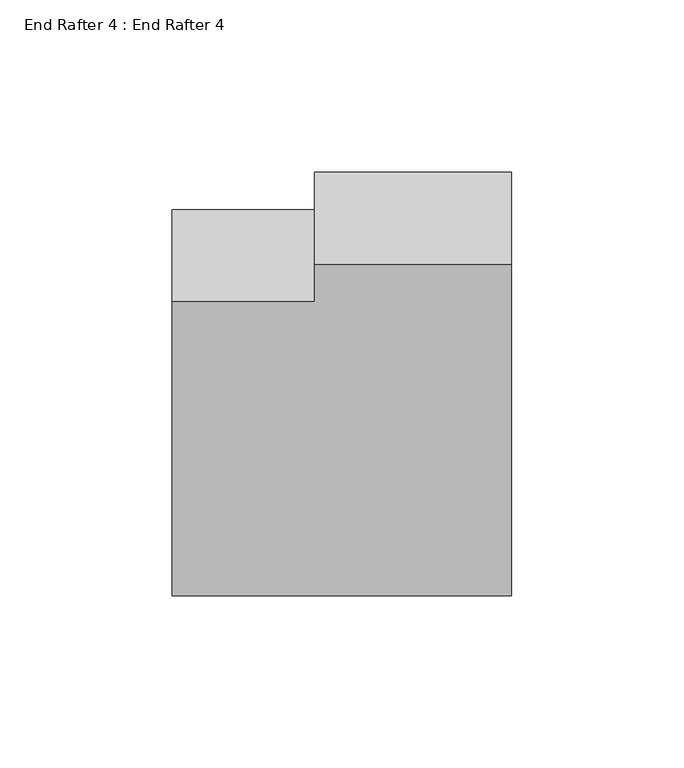
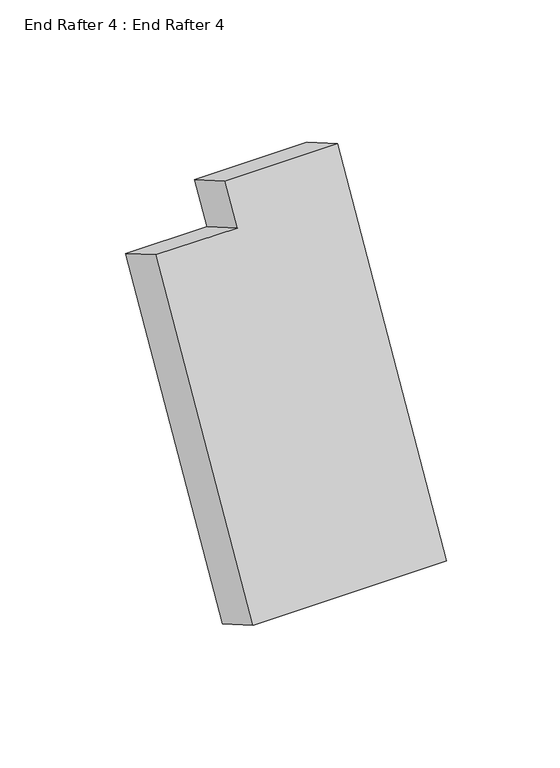
"""IFC4 building model written with IfcOpenShell, lengths in millimetres: proxy geometry, End Rafter 4 : End Rafter 4."""

import ifcopenshell
import ifcopenshell.guid

model = None  # the IFC model being written
_history = None  # IfcOwnerHistory: only IFC2X3 demands one
_inside = {}  # id of a spatial element -> (the spatial element, [elements in it])
_under = {}  # id of a project, library or spatial element -> (it, [spatial elements below it])
_declared = {}  # id of a project -> (the project, [libraries it declares])
_typed = {}  # id of a type object -> (the type object, [elements of that type])
_made_of = {}  # id of a material, layer set ... -> (it, [elements and type objects made of it])


def new_model(schema):
    """Start an empty IFC model of exactly this schema.

    Asked for "IFC4X3", IfcOpenShell would pick the latest addendum, in which some entities
    have other attributes; the version numbers below select the first issue.
    IFC2X3 requires an IfcOwnerHistory on every rooted entity: one is made here for all.
    """
    global model, _history
    if schema == "IFC4X3":
        model = ifcopenshell.file(schema_version=(4, 3, 0, 0))
    else:
        model = ifcopenshell.file(schema=schema)
    _inside.clear()
    _under.clear()
    _declared.clear()
    _typed.clear()
    _made_of.clear()
    _history = None
    if model.schema == "IFC2X3":
        org = make("IfcOrganization", Name="unknown")
        user = make(
            "IfcPersonAndOrganization",
            ThePerson=make("IfcPerson", FamilyName="unknown"),
            TheOrganization=org,
        )
        app = make(
            "IfcApplication",
            ApplicationDeveloper=org,
            Version="unknown",
            ApplicationFullName="unknown",
            ApplicationIdentifier="unknown",
        )
        _history = make(
            "IfcOwnerHistory",
            OwningUser=user,
            OwningApplication=app,
            ChangeAction="ADDED",
            CreationDate=0,
        )
    return model


def make(cls, **values):
    """One entity of the class cls with the attributes given. An attribute that is None is left unset."""
    return model.create_entity(
        cls, **{name: value for name, value in values.items() if value is not None}
    )


def rooted(cls, **values):
    """An entity with a GlobalId (a new one), such as an element, a storey or a relation."""
    return make(cls, GlobalId=ifcopenshell.guid.new(), OwnerHistory=_history, **values)


def si_unit(unit_type, name, prefix=None):
    """IfcSIUnit, for example si_unit("LENGTHUNIT", "METRE", prefix="MILLI")."""
    return make("IfcSIUnit", UnitType=unit_type, Prefix=prefix, Name=name)


def assignment(units):
    """IfcUnitAssignment: the units of a project."""
    return None if units is None else make("IfcUnitAssignment", Units=units)


def point(xyz):
    """IfcCartesianPoint."""
    return None if xyz is None else make("IfcCartesianPoint", Coordinates=xyz)


def direction(xyz):
    """IfcDirection."""
    return None if xyz is None else make("IfcDirection", DirectionRatios=xyz)


def frame(location, z_axis=None, x_axis=None):
    """IfcAxis2Placement3D, a coordinate frame: its origin and axes. An axis left out is left unset."""
    return make(
        "IfcAxis2Placement3D",
        Location=point(location),
        Axis=direction(z_axis),
        RefDirection=direction(x_axis),
    )


def origin():
    """The frame at (0, 0, 0) with its axes left unset."""
    return frame((0.0, 0.0, 0.0))


def place(relative_to, where):
    """IfcLocalPlacement: puts the frame where relative to a parent placement (None: the world)."""
    return make(
        "IfcLocalPlacement", PlacementRelTo=relative_to, RelativePlacement=where
    )


def context(
    kind, dimensions, precision=None, world=None, true_north=None, identifier=None
):
    """IfcGeometricRepresentationContext, for example the 3D "Model" context."""
    return make(
        "IfcGeometricRepresentationContext",
        ContextIdentifier=identifier,
        ContextType=kind,
        CoordinateSpaceDimension=dimensions,
        Precision=precision,
        WorldCoordinateSystem=world,
        TrueNorth=true_north,
    )


def project(units=None, contexts=None):
    """IfcProject with its units and contexts."""
    return rooted(
        "IfcProject",
        Name="project",
        RepresentationContexts=contexts,
        UnitsInContext=assignment(units),
    )


def spatial(cls, under=None, at=None, **own):
    """A site, building, storey or space (cls), placed at a placement, below another one or the project."""
    s = rooted(cls, ObjectPlacement=at, **own)
    if under is not None:
        _under.setdefault(under.id(), (under, []))[1].append(s)
    return s


def polyline(points):
    """IfcPolyline through the points."""
    return make("IfcPolyline", Points=[point(p) for p in points])


def outline(outer, holes=None, kind="AREA"):
    """IfcArbitraryClosedProfileDef: a profile drawn as a closed curve; with holes, ...WithVoids."""
    if holes is None:
        return make("IfcArbitraryClosedProfileDef", ProfileType=kind, OuterCurve=outer)
    return make(
        "IfcArbitraryProfileDefWithVoids",
        ProfileType=kind,
        OuterCurve=outer,
        InnerCurves=holes,
    )


def extrude(swept, where, along, depth):
    """IfcExtrudedAreaSolid: the profile swept, set in the frame where, extruded along a direction by depth."""
    return make(
        "IfcExtrudedAreaSolid",
        SweptArea=swept,
        Position=where,
        ExtrudedDirection=direction(along),
        Depth=depth,
    )


def shape(context_of_items, identifier, shape_type, items):
    """IfcShapeRepresentation: the items that make up one representation, for example the "Body"."""
    return make(
        "IfcShapeRepresentation",
        ContextOfItems=context_of_items,
        RepresentationIdentifier=identifier,
        RepresentationType=shape_type,
        Items=items,
    )


def source(mapping_origin, context_of_items, identifier, shape_type, items):
    """IfcRepresentationMap: a shape defined once, which mapped items show again and again."""
    return make(
        "IfcRepresentationMap",
        MappingOrigin=mapping_origin,
        MappedRepresentation=shape(context_of_items, identifier, shape_type, items),
    )


def transform(
    local_origin,
    x_axis=None,
    y_axis=None,
    z_axis=None,
    scale=None,
    scale2=None,
    scale3=None,
    uniform=True,
):
    """IfcCartesianTransformationOperator3D, or its non-uniform kind. x_axis, y_axis, z_axis: its Axis1, 2, 3."""
    if uniform:
        return make(
            "IfcCartesianTransformationOperator3D",
            Axis1=direction(x_axis),
            Axis2=direction(y_axis),
            LocalOrigin=point(local_origin),
            Scale=scale,
            Axis3=direction(z_axis),
        )
    return make(
        "IfcCartesianTransformationOperator3DnonUniform",
        Axis1=direction(x_axis),
        Axis2=direction(y_axis),
        LocalOrigin=point(local_origin),
        Scale=scale,
        Axis3=direction(z_axis),
        Scale2=scale2,
        Scale3=scale3,
    )


def mapped(mapping_source, mapping_target):
    """IfcMappedItem: shows the shape of a source again, moved by a transform."""
    return make(
        "IfcMappedItem", MappingSource=mapping_source, MappingTarget=mapping_target
    )


def made_of(thing, what):
    """Note that an element or type object is made of a material, layer set ...; save() writes the relation."""
    if what is not None:
        _made_of.setdefault(what.id(), (what, []))[1].append(thing)
    return thing


def element(
    cls,
    number,
    at=None,
    inside=None,
    cuts=None,
    type_object=None,
    material=None,
    context=None,
    identifier="Body",
    shape_type=None,
    held_by="IfcProductDefinitionShape",
    body=None,
    shapes=None,
    **own,
):
    """One element of the class cls, such as IfcWall. Its Tag is "e" and its number.

    at: its placement. inside: the storey or other place that contains it. cuts: it is an
    opening in that element (IfcRelVoidsElement). A single representation is given by context,
    identifier, shape_type and body (its items); several are given by shapes. held_by: the class
    of the entity that holds the representations. save() writes the other relations.
    """
    e = rooted(cls, Tag="e%d" % number, ObjectPlacement=at, **own)
    if body is not None:
        shapes = [shape(context, identifier, shape_type, body)]
    if shapes is not None:
        e.Representation = make(held_by, Representations=shapes)
    if inside is not None:
        _inside.setdefault(inside.id(), (inside, []))[1].append(e)
    if cuts is not None:
        rooted(
            "IfcRelVoidsElement", RelatingBuildingElement=cuts, RelatedOpeningElement=e
        )
    if type_object is not None:
        _typed.setdefault(type_object.id(), (type_object, []))[1].append(e)
    return made_of(e, material)


def aggregate(whole, parts):
    """IfcRelAggregates: a whole, such as a stair, and the parts it consists of."""
    return rooted("IfcRelAggregates", RelatingObject=whole, RelatedObjects=parts)


def save(model, path):
    """Write the relations noted so far, then the file.

    IfcRelAggregates (storeys below a building ...), IfcRelContainedInSpatialStructure (elements
    in a storey), IfcRelDefinesByType, IfcRelAssociatesMaterial and IfcRelDeclares: one each for
    every whole, place, type object, material and project.
    """
    for whole, parts in _under.values():
        aggregate(whole, parts)
    for where, things in _inside.values():
        rooted(
            "IfcRelContainedInSpatialStructure",
            RelatedElements=things,
            RelatingStructure=where,
        )
    for kind, things in _typed.values():
        rooted("IfcRelDefinesByType", RelatedObjects=things, RelatingType=kind)
    for what, things in _made_of.values():
        rooted("IfcRelAssociatesMaterial", RelatedObjects=things, RelatingMaterial=what)
    for by, libraries in _declared.values():
        rooted("IfcRelDeclares", RelatingContext=by, RelatedDefinitions=libraries)
    model.write(path)


def end_rafter_4_end_rafter_4_69b674fa(model_context):
    return source(origin(), model_context, "Body", "SweptSolid", [
        extrude(outline(polyline([(-120.6051928, 0.0), (71.2491788, 0.0), (71.2491788, -98.438529), (-99.0298107, -98.438529), (-99.0298107, -57.15), (-120.6051928, -57.15), (-120.6051928, 0.0)])), frame((8395.0552127, -18015.048712, -98.3590068), z_axis=(0.0, -0.8660254037844394, 0.49999999999999883), x_axis=(0.0, -0.49999999999999883, -0.8660254037844394)), (0.0, 0.0, 1.0), 30.8601295),
    ])


if __name__ == "__main__":
    model = new_model("IFC4")
    model_context = context("Model", 3, world=origin())
    ifc_project = project(units=[si_unit("LENGTHUNIT", "METRE", prefix="MILLI")], contexts=[model_context])
    site = spatial("IfcSite", under=ifc_project)
    building = spatial("IfcBuilding", under=site)
    placement = place(None, origin())
    end_rafter_4_end_rafter_4_shape = end_rafter_4_end_rafter_4_69b674fa(model_context)
    element("IfcBuildingElementProxy", 1, Name="End Rafter 4 : End Rafter 4", ObjectType="End Rafter 4 : End Rafter 4", at=placement, inside=building, context=model_context, shape_type="MappedRepresentation", body=[
        mapped(end_rafter_4_end_rafter_4_shape, transform((0.0, 0.0, 0.0), x_axis=(1.0, 0.0, 0.0), y_axis=(0.0, 1.0, 0.0), z_axis=(0.0, 0.0, 1.0))),
    ])
    save(model, "model.ifc")
